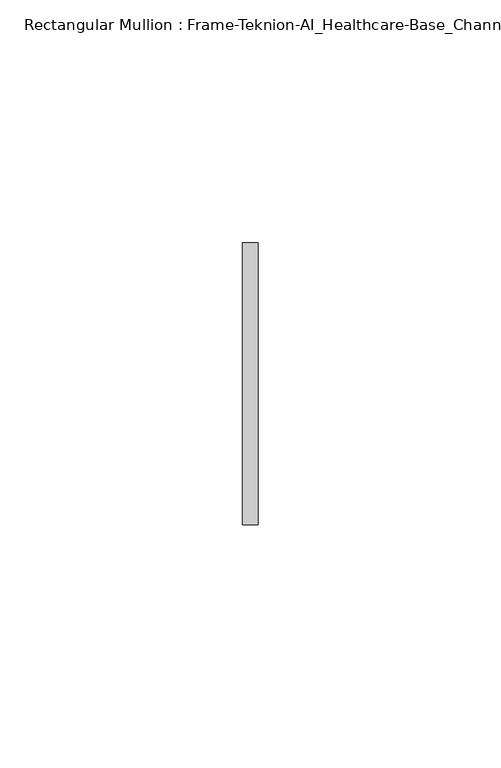
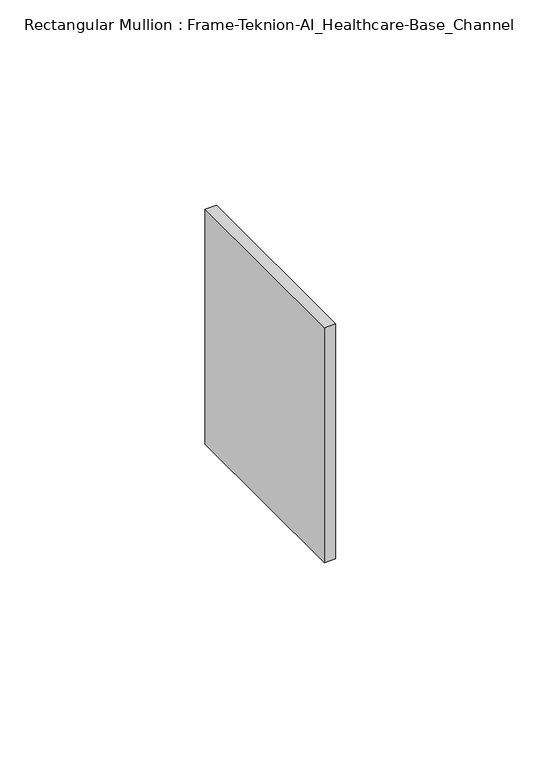
"""IFC4 building model written with IfcOpenShell, lengths in millimetres: member geometry, Rectangular Mullion : Frame-Teknion-AI_Healthcare-Base_Channel."""

import ifcopenshell
import ifcopenshell.guid

model = None  # the IFC model being written
_history = None  # IfcOwnerHistory: only IFC2X3 demands one
_inside = {}  # id of a spatial element -> (the spatial element, [elements in it])
_under = {}  # id of a project, library or spatial element -> (it, [spatial elements below it])
_declared = {}  # id of a project -> (the project, [libraries it declares])
_typed = {}  # id of a type object -> (the type object, [elements of that type])
_made_of = {}  # id of a material, layer set ... -> (it, [elements and type objects made of it])


def new_model(schema):
    """Start an empty IFC model of exactly this schema.

    Asked for "IFC4X3", IfcOpenShell would pick the latest addendum, in which some entities
    have other attributes; the version numbers below select the first issue.
    IFC2X3 requires an IfcOwnerHistory on every rooted entity: one is made here for all.
    """
    global model, _history
    if schema == "IFC4X3":
        model = ifcopenshell.file(schema_version=(4, 3, 0, 0))
    else:
        model = ifcopenshell.file(schema=schema)
    _inside.clear()
    _under.clear()
    _declared.clear()
    _typed.clear()
    _made_of.clear()
    _history = None
    if model.schema == "IFC2X3":
        org = make("IfcOrganization", Name="unknown")
        user = make(
            "IfcPersonAndOrganization",
            ThePerson=make("IfcPerson", FamilyName="unknown"),
            TheOrganization=org,
        )
        app = make(
            "IfcApplication",
            ApplicationDeveloper=org,
            Version="unknown",
            ApplicationFullName="unknown",
            ApplicationIdentifier="unknown",
        )
        _history = make(
            "IfcOwnerHistory",
            OwningUser=user,
            OwningApplication=app,
            ChangeAction="ADDED",
            CreationDate=0,
        )
    return model


def make(cls, **values):
    """One entity of the class cls with the attributes given. An attribute that is None is left unset."""
    return model.create_entity(
        cls, **{name: value for name, value in values.items() if value is not None}
    )


def rooted(cls, **values):
    """An entity with a GlobalId (a new one), such as an element, a storey or a relation."""
    return make(cls, GlobalId=ifcopenshell.guid.new(), OwnerHistory=_history, **values)


def si_unit(unit_type, name, prefix=None):
    """IfcSIUnit, for example si_unit("LENGTHUNIT", "METRE", prefix="MILLI")."""
    return make("IfcSIUnit", UnitType=unit_type, Prefix=prefix, Name=name)


def assignment(units):
    """IfcUnitAssignment: the units of a project."""
    return None if units is None else make("IfcUnitAssignment", Units=units)


def point(xyz):
    """IfcCartesianPoint."""
    return None if xyz is None else make("IfcCartesianPoint", Coordinates=xyz)


def direction(xyz):
    """IfcDirection."""
    return None if xyz is None else make("IfcDirection", DirectionRatios=xyz)


def frame(location, z_axis=None, x_axis=None):
    """IfcAxis2Placement3D, a coordinate frame: its origin and axes. An axis left out is left unset."""
    return make(
        "IfcAxis2Placement3D",
        Location=point(location),
        Axis=direction(z_axis),
        RefDirection=direction(x_axis),
    )


def origin():
    """The frame at (0, 0, 0) with its axes left unset."""
    return frame((0.0, 0.0, 0.0))


def place(relative_to, where):
    """IfcLocalPlacement: puts the frame where relative to a parent placement (None: the world)."""
    return make(
        "IfcLocalPlacement", PlacementRelTo=relative_to, RelativePlacement=where
    )


def context(
    kind, dimensions, precision=None, world=None, true_north=None, identifier=None
):
    """IfcGeometricRepresentationContext, for example the 3D "Model" context."""
    return make(
        "IfcGeometricRepresentationContext",
        ContextIdentifier=identifier,
        ContextType=kind,
        CoordinateSpaceDimension=dimensions,
        Precision=precision,
        WorldCoordinateSystem=world,
        TrueNorth=true_north,
    )


def project(units=None, contexts=None):
    """IfcProject with its units and contexts."""
    return rooted(
        "IfcProject",
        Name="project",
        RepresentationContexts=contexts,
        UnitsInContext=assignment(units),
    )


def spatial(cls, under=None, at=None, **own):
    """A site, building, storey or space (cls), placed at a placement, below another one or the project."""
    s = rooted(cls, ObjectPlacement=at, **own)
    if under is not None:
        _under.setdefault(under.id(), (under, []))[1].append(s)
    return s


def polyline(points):
    """IfcPolyline through the points."""
    return make("IfcPolyline", Points=[point(p) for p in points])


def outline(outer, holes=None, kind="AREA"):
    """IfcArbitraryClosedProfileDef: a profile drawn as a closed curve; with holes, ...WithVoids."""
    if holes is None:
        return make("IfcArbitraryClosedProfileDef", ProfileType=kind, OuterCurve=outer)
    return make(
        "IfcArbitraryProfileDefWithVoids",
        ProfileType=kind,
        OuterCurve=outer,
        InnerCurves=holes,
    )


def extrude(swept, where, along, depth):
    """IfcExtrudedAreaSolid: the profile swept, set in the frame where, extruded along a direction by depth."""
    return make(
        "IfcExtrudedAreaSolid",
        SweptArea=swept,
        Position=where,
        ExtrudedDirection=direction(along),
        Depth=depth,
    )


def shape(context_of_items, identifier, shape_type, items):
    """IfcShapeRepresentation: the items that make up one representation, for example the "Body"."""
    return make(
        "IfcShapeRepresentation",
        ContextOfItems=context_of_items,
        RepresentationIdentifier=identifier,
        RepresentationType=shape_type,
        Items=items,
    )


def source(mapping_origin, context_of_items, identifier, shape_type, items):
    """IfcRepresentationMap: a shape defined once, which mapped items show again and again."""
    return make(
        "IfcRepresentationMap",
        MappingOrigin=mapping_origin,
        MappedRepresentation=shape(context_of_items, identifier, shape_type, items),
    )


def transform(
    local_origin,
    x_axis=None,
    y_axis=None,
    z_axis=None,
    scale=None,
    scale2=None,
    scale3=None,
    uniform=True,
):
    """IfcCartesianTransformationOperator3D, or its non-uniform kind. x_axis, y_axis, z_axis: its Axis1, 2, 3."""
    if uniform:
        return make(
            "IfcCartesianTransformationOperator3D",
            Axis1=direction(x_axis),
            Axis2=direction(y_axis),
            LocalOrigin=point(local_origin),
            Scale=scale,
            Axis3=direction(z_axis),
        )
    return make(
        "IfcCartesianTransformationOperator3DnonUniform",
        Axis1=direction(x_axis),
        Axis2=direction(y_axis),
        LocalOrigin=point(local_origin),
        Scale=scale,
        Axis3=direction(z_axis),
        Scale2=scale2,
        Scale3=scale3,
    )


def mapped(mapping_source, mapping_target):
    """IfcMappedItem: shows the shape of a source again, moved by a transform."""
    return make(
        "IfcMappedItem", MappingSource=mapping_source, MappingTarget=mapping_target
    )


def made_of(thing, what):
    """Note that an element or type object is made of a material, layer set ...; save() writes the relation."""
    if what is not None:
        _made_of.setdefault(what.id(), (what, []))[1].append(thing)
    return thing


def element(
    cls,
    number,
    at=None,
    inside=None,
    cuts=None,
    type_object=None,
    material=None,
    context=None,
    identifier="Body",
    shape_type=None,
    held_by="IfcProductDefinitionShape",
    body=None,
    shapes=None,
    **own,
):
    """One element of the class cls, such as IfcWall. Its Tag is "e" and its number.

    at: its placement. inside: the storey or other place that contains it. cuts: it is an
    opening in that element (IfcRelVoidsElement). A single representation is given by context,
    identifier, shape_type and body (its items); several are given by shapes. held_by: the class
    of the entity that holds the representations. save() writes the other relations.
    """
    e = rooted(cls, Tag="e%d" % number, ObjectPlacement=at, **own)
    if body is not None:
        shapes = [shape(context, identifier, shape_type, body)]
    if shapes is not None:
        e.Representation = make(held_by, Representations=shapes)
    if inside is not None:
        _inside.setdefault(inside.id(), (inside, []))[1].append(e)
    if cuts is not None:
        rooted(
            "IfcRelVoidsElement", RelatingBuildingElement=cuts, RelatedOpeningElement=e
        )
    if type_object is not None:
        _typed.setdefault(type_object.id(), (type_object, []))[1].append(e)
    return made_of(e, material)


def aggregate(whole, parts):
    """IfcRelAggregates: a whole, such as a stair, and the parts it consists of."""
    return rooted("IfcRelAggregates", RelatingObject=whole, RelatedObjects=parts)


def save(model, path):
    """Write the relations noted so far, then the file.

    IfcRelAggregates (storeys below a building ...), IfcRelContainedInSpatialStructure (elements
    in a storey), IfcRelDefinesByType, IfcRelAssociatesMaterial and IfcRelDeclares: one each for
    every whole, place, type object, material and project.
    """
    for whole, parts in _under.values():
        aggregate(whole, parts)
    for where, things in _inside.values():
        rooted(
            "IfcRelContainedInSpatialStructure",
            RelatedElements=things,
            RelatingStructure=where,
        )
    for kind, things in _typed.values():
        rooted("IfcRelDefinesByType", RelatedObjects=things, RelatingType=kind)
    for what, things in _made_of.values():
        rooted("IfcRelAssociatesMaterial", RelatedObjects=things, RelatingMaterial=what)
    for by, libraries in _declared.values():
        rooted("IfcRelDeclares", RelatingContext=by, RelatedDefinitions=libraries)
    model.write(path)


def rectangular_mullion_frame_teknion_ai_healthcare_base_channel_f50aac76(model_context):
    return source(origin(), model_context, "Body", "SweptSolid", [
        extrude(outline(polyline([(0.0, 29.0214844), (0.0, -29.0214844), (-3.175, -29.0214844), (-3.175, 29.0214844), (0.0, 29.0214844)])), frame((0.0, 0.0, -69.85), z_axis=(0.0, 0.0, 1.0), x_axis=(1.0, 0.0, 0.0)), (0.0, 0.0, 1.0), 69.85),
    ])


if __name__ == "__main__":
    model = new_model("IFC4")
    model_context = context("Model", 3, world=origin())
    ifc_project = project(units=[si_unit("LENGTHUNIT", "METRE", prefix="MILLI")], contexts=[model_context])
    site = spatial("IfcSite", under=ifc_project)
    building = spatial("IfcBuilding", under=site)
    placement = place(None, origin())
    rectangular_mullion_frame_teknion_ai_healthcare_base_channel_shape = rectangular_mullion_frame_teknion_ai_healthcare_base_channel_f50aac76(model_context)
    element("IfcMember", 1, ObjectType="Rectangular Mullion : Frame-Teknion-AI_Healthcare-Base_Channel", at=placement, inside=building, context=model_context, shape_type="MappedRepresentation", body=[
        mapped(rectangular_mullion_frame_teknion_ai_healthcare_base_channel_shape, transform((0.0, 0.0, 0.0), x_axis=(1.0, 0.0, 0.0), y_axis=(0.0, 1.0, 0.0), z_axis=(0.0, 0.0, 1.0))),
    ])
    save(model, "model.ifc")
